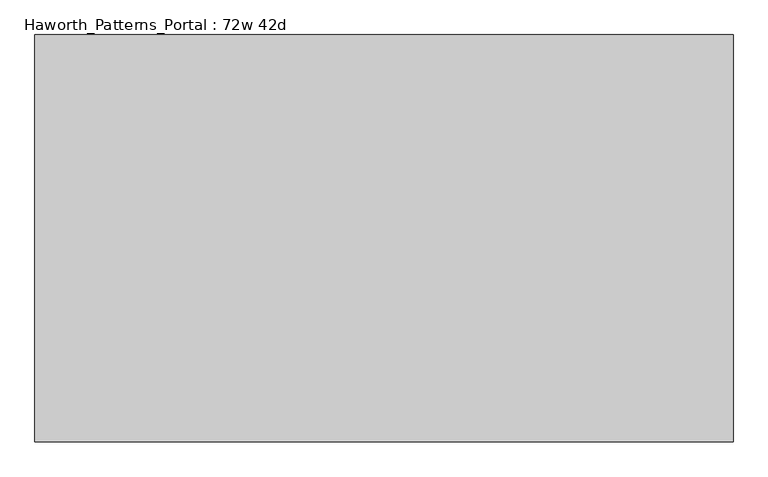
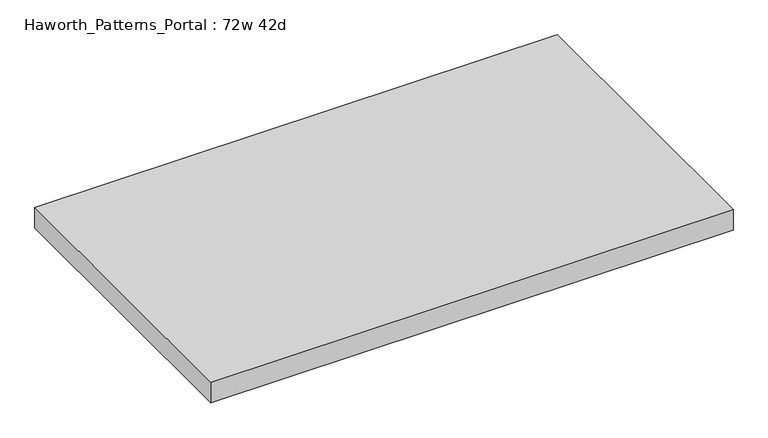
"""IFC4 building model written with IfcOpenShell, lengths in millimetres: furniture geometry, Haworth_Patterns_Portal : 72w 42d."""

from ifc_helpers import new_model, si_unit, frame, origin, place, context, project, spatial, polyline, outline, extrude, source, transform, mapped, element, save


def haworth_patterns_portal_72w_42d_faa23d77(model_context):
    return source(origin(), model_context, "Body", "SweptSolid", [
        extrude(outline(polyline([(914.4, 533.4), (914.4, -533.4), (-914.4, -533.4), (-914.4, 533.4), (914.4, 533.4)])), frame((0.0, 0.0, 2349.5), z_axis=(0.0, 0.0, 1.0), x_axis=(1.0, 0.0, 0.0)), (0.0, 0.0, 1.0), 76.2),
    ])


if __name__ == "__main__":
    model = new_model("IFC4")
    model_context = context("Model", 3, world=origin())
    ifc_project = project(units=[si_unit("LENGTHUNIT", "METRE", prefix="MILLI")], contexts=[model_context])
    site = spatial("IfcSite", under=ifc_project)
    building = spatial("IfcBuilding", under=site)
    placement = place(None, origin())
    haworth_patterns_portal_72w_42d_shape = haworth_patterns_portal_72w_42d_faa23d77(model_context)
    element("IfcFurniture", 1, ObjectType="Haworth_Patterns_Portal : 72w 42d", at=placement, inside=building, context=model_context, shape_type="MappedRepresentation", body=[
        mapped(haworth_patterns_portal_72w_42d_shape, transform((0.0, 0.0, 0.0), x_axis=(1.0, 0.0, 0.0), y_axis=(0.0, 1.0, 0.0), z_axis=(0.0, 0.0, 1.0))),
    ])
    save(model, "model.ifc")
